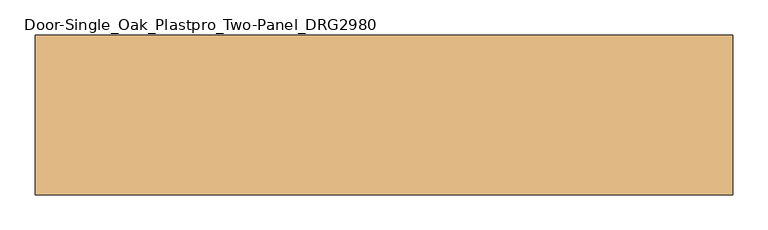
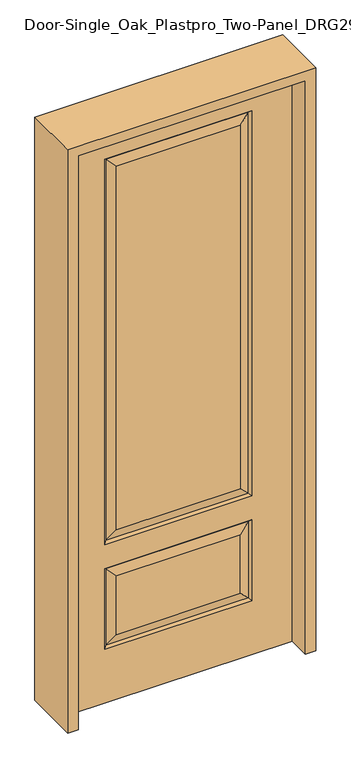
"""IFC4 building model written with IfcOpenShell, lengths in millimetres: door geometry, Door-Single_Oak_Plastpro_Two-Panel_DRG2980."""

from ifc_helpers import new_model, si_unit, frame, origin, place, context, project, spatial, polyline, outline, extrude, faceted_brep, source, transform, mapped, element, save


def door_single_oak_plastpro_two_panel_drg2980_776f8ece(model_context):
    return source(origin(), model_context, "Body", "SolidModel", [
        faceted_brep([(-286.1796986, -11.6572439, 562.4046986), (-249.1224548, -20.6375, 525.3474548), (249.1224548, -20.6375, 525.3474548), (286.1796986, -11.6572439, 562.4046986), (249.1224548, -20.6375, 274.7525452), (286.1796986, -11.6572439, 237.6953014), (457.2, 20.6375, 0.0), (457.2, -20.6375, 0.0), (-457.2, -20.6375, 0.0), (-457.2, 20.6375, 0.0), (457.2, 20.6375, 2438.4), (457.2, -20.6375, 2438.4), (-249.1224548, -20.6375, 719.2525452), (249.1224548, -20.6375, 719.2525452), (249.1224548, -20.6375, 2265.2474548), (-249.1224548, -20.6375, 2265.2474548), (-457.2, -20.6375, 2438.4), (295.1599548, -20.6375, 673.2150452), (-295.1599548, -20.6375, 673.2150452), (-295.1599548, -20.6375, 2311.2849548), (295.1599548, -20.6375, 2311.2849548), (295.1599548, -20.6375, 228.7150452), (-295.1599548, -20.6375, 228.7150452), (-295.1599548, -20.6375, 571.3849548), (295.1599548, -20.6375, 571.3849548), (-249.1224548, -20.6375, 274.7525452), (-249.1224548, 20.6375, 274.7525452), (-286.1796986, 11.6572439, 237.6953014), (-286.1796986, 11.6572439, 562.4046986), (-249.1224548, 20.6375, 525.3474548), (-295.1599548, 20.6375, 228.7150452), (-295.1599548, 20.6375, 571.3849548), (286.1796986, 11.6572439, 237.6953014), (249.1224548, 20.6375, 274.7525452), (249.1224548, 20.6375, 525.3474548), (286.1796986, 11.6572439, 562.4046986), (286.1796986, 11.6572439, 682.1953014), (-286.1796986, 11.6572439, 682.1953014), (-249.1224548, 20.6375, 719.2525452), (249.1224548, 20.6375, 719.2525452), (-286.1796986, 11.6572439, 2302.3046986), (-249.1224548, 20.6375, 2265.2474548), (295.1599548, 20.6375, 571.3849548), (-286.1796986, -11.6572439, 237.6953014), (-457.2, 20.6375, 2438.4), (295.1599548, 20.6375, 228.7150452), (-295.1599548, 20.6375, 673.2150452), (295.1599548, 20.6375, 673.2150452), (295.1599548, 20.6375, 2311.2849548), (-295.1599548, 20.6375, 2311.2849548), (249.1224548, 20.6375, 2265.2474548), (286.1796986, 11.6572439, 2302.3046986), (286.1796986, -11.6572439, 682.1953014), (-286.1796986, -11.6572439, 682.1953014), (-286.1796986, -11.6572439, 2302.3046986), (286.1796986, -11.6572439, 2302.3046986)], [[[0, 1, 2, 3]], [[4, 5, 3, 2]], [[6, 7, 8, 9]], [[10, 11, 7, 6]], [[12, 13, 14, 15]], [[11, 16, 8, 7], [17, 18, 19, 20], [21, 22, 23, 24]], [[25, 4, 2, 1]], [[26, 27, 28, 29]], [[27, 30, 31, 28]], [[32, 33, 34, 35]], [[36, 37, 38, 39]], [[38, 37, 40, 41]], [[28, 31, 42, 35]], [[22, 43, 0, 23]], [[23, 0, 3, 24]], [[16, 44, 9, 8]], [[33, 26, 29, 34]], [[44, 10, 6, 9], [30, 45, 42, 31], [46, 47, 48, 49]], [[39, 38, 41, 50]], [[10, 44, 16, 11]], [[47, 36, 51, 48]], [[27, 32, 45, 30]], [[36, 39, 50, 51]], [[45, 32, 35, 42]], [[37, 36, 47, 46]], [[37, 46, 49, 40]], [[32, 27, 26, 33]], [[29, 28, 35, 34]], [[52, 53, 18, 17]], [[18, 53, 54, 19]], [[52, 17, 20, 55]], [[53, 52, 13, 12]], [[13, 52, 55, 14]], [[53, 12, 15, 54]], [[5, 43, 22, 21]], [[5, 21, 24, 3]], [[43, 5, 4, 25]], [[43, 25, 1, 0]], [[19, 54, 55, 20]], [[54, 15, 14, 55]], [[41, 40, 51, 50]], [[40, 49, 48, 51]]]),
        extrude(outline(polyline([(2479.675, -498.475), (0.0, -498.475), (0.0, -457.2), (2438.4, -457.2), (2438.4, 457.2), (0.0, 457.2), (0.0, 498.475), (2479.675, 498.475), (2479.675, -498.475)])), frame((0.0, -114.3, 0.0), z_axis=(0.0, 1.0, 0.0), x_axis=(0.0, 0.0, 1.0)), (0.0, 0.0, 1.0), 228.6),
    ])


if __name__ == "__main__":
    model = new_model("IFC4")
    model_context = context("Model", 3, world=origin())
    ifc_project = project(units=[si_unit("LENGTHUNIT", "METRE", prefix="MILLI")], contexts=[model_context])
    site = spatial("IfcSite", under=ifc_project)
    building = spatial("IfcBuilding", under=site)
    placement = place(None, origin())
    door_single_oak_plastpro_two_panel_drg2980_shape = door_single_oak_plastpro_two_panel_drg2980_776f8ece(model_context)
    element("IfcDoor", 1, ObjectType="Door-Single_Oak_Plastpro_Two-Panel_DRG2980", at=placement, inside=building, context=model_context, shape_type="MappedRepresentation", body=[
        mapped(door_single_oak_plastpro_two_panel_drg2980_shape, transform((0.0, 0.0, 0.0), x_axis=(1.0, 0.0, 0.0), y_axis=(0.0, 1.0, 0.0), z_axis=(0.0, 0.0, 1.0))),
    ])
    save(model, "model.ifc")
